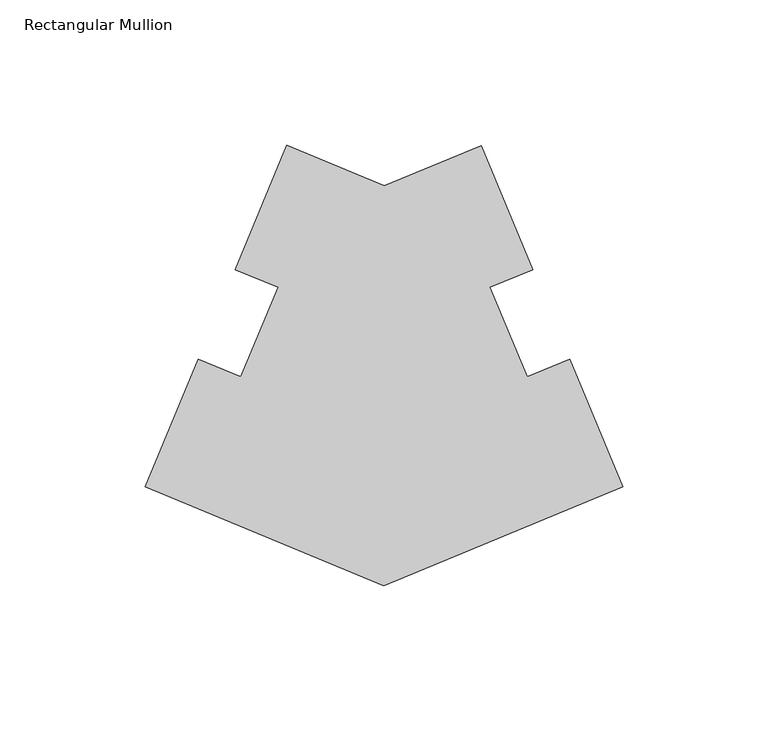
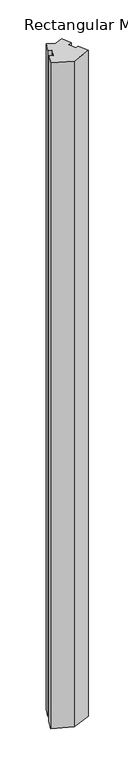
"""IFC4 building model written with IfcOpenShell, lengths in millimetres: member geometry, Rectangular Mullion."""

from ifc_helpers import new_model, si_unit, frame, origin, place, context, project, spatial, polyline, outline, extrude, source, transform, mapped, element, save


def rectangular_mullion_9e18a28b(model_context):
    return source(origin(), model_context, "Body", "SweptSolid", [
        extrude(outline(polyline([(-82.0222412, -126.9639328), (-164.0306333, -92.975359), (-145.8744802, -49.1551595), (-131.2076689, -55.2297198), (-118.4460868, -24.4294138), (-133.1067654, -18.3400526), (-115.4178797, 24.3523886), (-81.9942217, 10.4998738), (-48.5888374, 24.3288603), (-30.922506, -18.3337347), (-45.5831875, -24.4230971), (-32.8278775, -55.2260188), (-18.1610663, -49.1514585), (0.0, -93.0087937), (-82.0222412, -126.9639328)])), frame((0.0, 0.0, -3048.0), z_axis=(0.0, 0.0, 1.0), x_axis=(1.0, 0.0, 0.0)), (0.0, 0.0, 1.0), 3048.0),
    ])


if __name__ == "__main__":
    model = new_model("IFC4")
    model_context = context("Model", 3, world=origin())
    ifc_project = project(units=[si_unit("LENGTHUNIT", "METRE", prefix="MILLI")], contexts=[model_context])
    site = spatial("IfcSite", under=ifc_project)
    building = spatial("IfcBuilding", under=site)
    placement = place(None, origin())
    rectangular_mullion_shape = rectangular_mullion_9e18a28b(model_context)
    element("IfcMember", 1, ObjectType="Rectangular Mullion", at=placement, inside=building, context=model_context, shape_type="MappedRepresentation", body=[
        mapped(rectangular_mullion_shape, transform((0.0, 0.0, 0.0), x_axis=(1.0, 0.0, 0.0), y_axis=(0.0, 1.0, 0.0), z_axis=(0.0, 0.0, 1.0))),
    ])
    save(model, "model.ifc")
